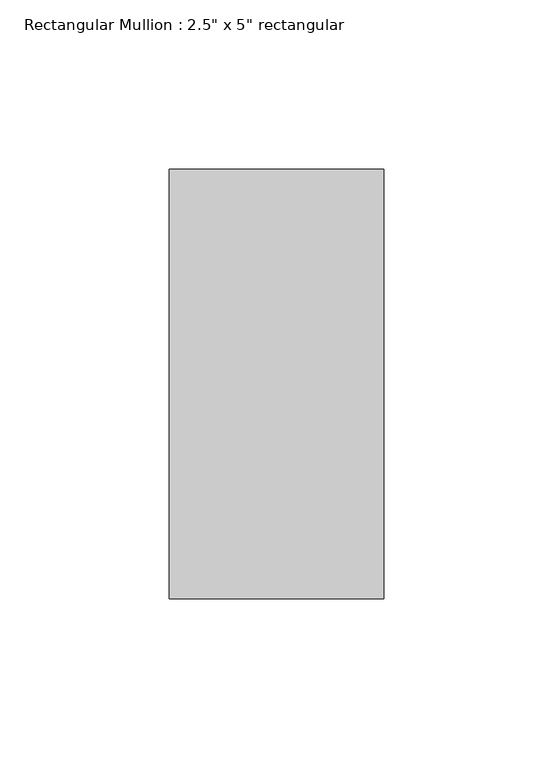
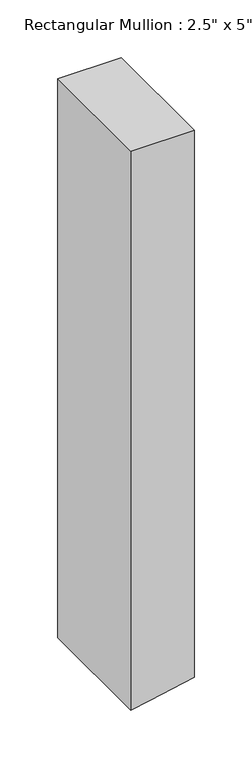
"""IFC4 building model written with IfcOpenShell, lengths in millimetres: member geometry."""

from ifc_helpers import new_model, si_unit, frame, origin, place, context, project, spatial, polyline, outline, extrude, source, transform, mapped, element, save


def member_81790aba(model_context):
    return source(origin(), model_context, "Body", "SweptSolid", [
        extrude(outline(polyline([(0.0, 31.75), (0.0, -31.75), (-592.0347043, -31.75), (-588.0053523, -12.5395247), (-579.4510652, 31.75), (0.0, 31.75)])), frame((0.0, -63.5, 0.0), z_axis=(0.0, 1.0, 0.0), x_axis=(0.0, 0.0, 1.0)), (0.0, 0.0, 1.0), 127.0),
    ])


if __name__ == "__main__":
    model = new_model("IFC4")
    model_context = context("Model", 3, world=origin())
    ifc_project = project(units=[si_unit("LENGTHUNIT", "METRE", prefix="MILLI")], contexts=[model_context])
    site = spatial("IfcSite", under=ifc_project)
    building = spatial("IfcBuilding", under=site)
    placement = place(None, origin())
    member_shape = member_81790aba(model_context)
    element("IfcMember", 1, ObjectType="Rectangular Mullion : 2.5\" x 5\" rectangular", at=placement, inside=building, context=model_context, shape_type="MappedRepresentation", body=[
        mapped(member_shape, transform((0.0, 0.0, 0.0), x_axis=(1.0, 0.0, 0.0), y_axis=(0.0, 1.0, 0.0), z_axis=(0.0, 0.0, 1.0))),
    ])
    save(model, "model.ifc")
